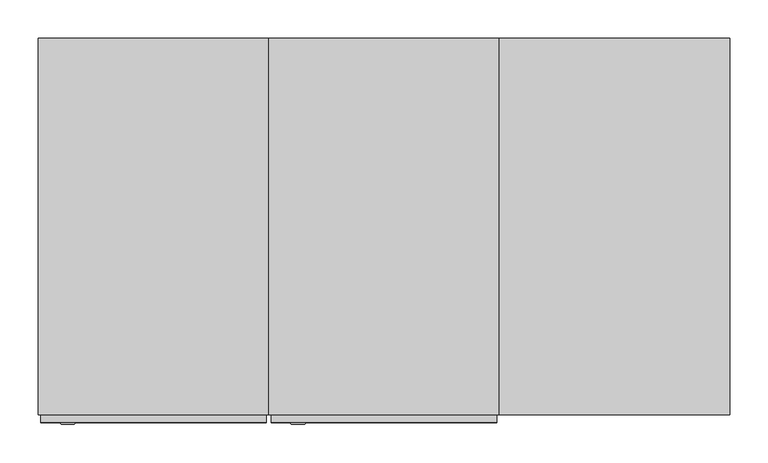
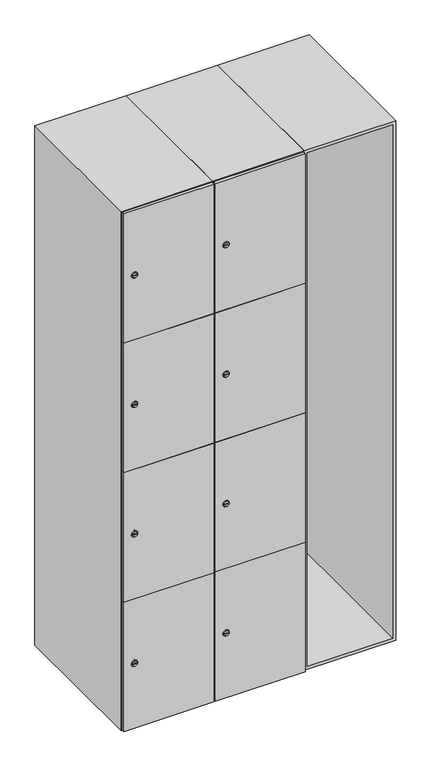
"""IFC4 building model written with IfcOpenShell, lengths in millimetres: furniture geometry."""

from ifc_helpers import new_model, si_unit, point, frame, frame_2d, origin, place, context, project, spatial, polyline, circle_curve, trimmed, segment, composite_curve, outline, extrude, faceted_brep, source, transform, mapped, element, save
from ifc_brep_helpers import plane_surface, revolved_surface, advanced_brep


def furniture_9d83d21d(model_context):
    return source(origin(), model_context, "Body", "SolidModel", [
        faceted_brep([(700.0, -245.0, 100.0), (700.0, -245.0, 1900.0), (400.0, -245.0, 1900.0), (400.0, -245.0, 100.0), (690.0, -245.0, 1890.0), (690.0, -245.0, 110.0), (410.0, -245.0, 110.0), (410.0, -245.0, 1890.0), (700.0, 245.0, 100.0), (400.0, 245.0, 100.0), (700.0, 245.0, 1900.0), (400.0, 245.0, 1900.0), (690.0, 241.0, 1890.0), (690.0, 241.0, 110.0), (400.0, 245.0, 1890.0), (410.0, 241.0, 1890.0), (410.0, 241.0, 110.0)], [[[0, 1, 2, 3], [4, 5, 6, 7]], [[8, 0, 3, 9]], [[1, 0, 8, 10]], [[1, 10, 11, 2]], [[4, 12, 13, 5]], [[9, 3, 2, 11, 14]], [[10, 8, 9, 14, 11]], [[12, 15, 16, 13]], [[15, 7, 6, 16]], [[4, 7, 15, 12]], [[6, 5, 13, 16]]]),
        extrude(outline(composite_curve([segment(trimmed(circle_curve(frame_2d((327.25, 111.2010534)), 7.0), [point((334.25, 111.2010534))], [point((320.25, 111.2010534))], False, "CARTESIAN"), True, "CONTINUOUS"), segment(polyline([(320.25, 111.2010534), (320.25, 139.2010534)]), True, "CONTINUOUS"), segment(trimmed(circle_curve(frame_2d((327.25, 139.2010534)), 7.0), [point((320.25, 139.2010534))], [point((334.25, 139.2010534))], False, "CARTESIAN"), True, "CONTINUOUS"), segment(polyline([(334.25, 139.2010534), (334.25, 111.2010534)]), True, "CONTINUOUS")], self_intersect=False)), frame((0.0, -245.0, 0.0), z_axis=(0.0, 1.0, 0.0), x_axis=(0.0, 0.0, 1.0)), (0.0, 0.0, 1.0), 2.0),
        advanced_brep(
        [(146.5, -257.2, 327.25), (129.5, -257.2, 327.25), (133.0, -257.2, 326.0), (133.0, -257.2, 328.5), (143.0, -257.2, 328.5), (143.0, -257.2, 326.0), (148.5, -255.0, 327.25), (127.5, -255.0, 327.25), (133.0, -255.0, 328.5), (133.0, -255.0, 326.0), (143.0, -255.0, 326.0), (143.0, -255.0, 328.5)],
        [
            (0, 1, circle_curve(frame((138.0, -257.2, 327.25), z_axis=(0.0, -1.0, 0.0), x_axis=(1.0, 0.0, 0.0)), 8.5)),
            (1, 0, circle_curve(frame((138.0, -257.2, 327.25), z_axis=(0.0, -1.0, 0.0), x_axis=(-1.0, 0.0, 0.0)), 8.5)),
            (2, 3),
            (3, 4),
            (4, 5),
            (5, 2),
            (6, 7, circle_curve(frame((138.0, -255.0, 327.25), z_axis=(0.0, 1.0, 0.0), x_axis=(-1.0, 0.0, 0.0)), 10.5)),
            (7, 6, circle_curve(frame((138.0, -255.0, 327.25), z_axis=(0.0, 1.0, 0.0), x_axis=(1.0, 0.0, 0.0)), 10.5)),
            (8, 9),
            (9, 10),
            (10, 11),
            (11, 8),
            (0, 6),
            (7, 1),
            (8, 3),
            (2, 9),
            (11, 4),
            (10, 5),
        ],
        [
            plane_surface(frame((138.0, -257.2, 327.25), z_axis=(0.0, -1.0, 0.0), x_axis=(0.0, 0.0, 1.0))),
            plane_surface(frame((138.0, -255.0, 327.25), z_axis=(0.0, 1.0, 0.0), x_axis=(0.0, 0.0, 1.0))),
            revolved_surface(polyline([(146.5, -257.2, 327.25), (148.5, -255.0, 327.25)]), (138.0, -266.55, 327.25), (0.0, 1.0, 0.0)),
            revolved_surface(polyline([(129.5, -257.2, 327.25), (127.5, -255.0, 327.25)]), (138.0, -266.55, 327.25), (0.0, 1.0, 0.0)),
            plane_surface(frame((133.0, -255.0, 326.0), z_axis=(1.0, 0.0, 0.0), x_axis=(0.0, -1.0, 0.0))),
            plane_surface(frame((133.0, -255.0, 328.5), z_axis=(0.0, 0.0, -1.0), x_axis=(0.0, -1.0, 0.0))),
            plane_surface(frame((143.0, -255.0, 328.5), z_axis=(-1.0, 0.0, 0.0), x_axis=(0.0, -1.0, 0.0))),
            plane_surface(frame((143.0, -255.0, 326.0), z_axis=(0.0, 0.0, 1.0), x_axis=(0.0, -1.0, 0.0))),
        ],
        [
            (0, [[1, 2], [3, 4, 5, 6]]),
            (1, [[7, 8], [9, 10, 11, 12]]),
            (2, [[-1, 13, -8, 14]]),
            (3, [[-2, -14, -7, -13]]),
            (4, [[15, -3, 16, -9]]),
            (5, [[-15, -12, 17, -4]]),
            (6, [[-17, -11, 18, -5]]),
            (7, [[-16, -6, -18, -10]]),
        ],
    ),
        extrude(outline(composite_curve([segment(trimmed(circle_curve(frame_2d((775.75, 111.2010534)), 7.0), [point((782.75, 111.2010534))], [point((768.75, 111.2010534))], False, "CARTESIAN"), True, "CONTINUOUS"), segment(polyline([(768.75, 111.2010534), (768.75, 139.2010534)]), True, "CONTINUOUS"), segment(trimmed(circle_curve(frame_2d((775.75, 139.2010534)), 7.0), [point((768.75, 139.2010534))], [point((782.75, 139.2010534))], False, "CARTESIAN"), True, "CONTINUOUS"), segment(polyline([(782.75, 139.2010534), (782.75, 111.2010534)]), True, "CONTINUOUS")], self_intersect=False)), frame((0.0, -245.0, 0.0), z_axis=(0.0, 1.0, 0.0), x_axis=(0.0, 0.0, 1.0)), (0.0, 0.0, 1.0), 2.0),
        advanced_brep(
        [(146.5, -257.2, 775.75), (129.5, -257.2, 775.75), (133.0, -257.2, 774.5), (133.0, -257.2, 777.0), (143.0, -257.2, 777.0), (143.0, -257.2, 774.5), (148.5, -255.0, 775.75), (127.5, -255.0, 775.75), (133.0, -255.0, 777.0), (133.0, -255.0, 774.5), (143.0, -255.0, 774.5), (143.0, -255.0, 777.0)],
        [
            (0, 1, circle_curve(frame((138.0, -257.2, 775.75), z_axis=(0.0, -1.0, 0.0), x_axis=(1.0, 0.0, 0.0)), 8.5)),
            (1, 0, circle_curve(frame((138.0, -257.2, 775.75), z_axis=(0.0, -1.0, 0.0), x_axis=(-1.0, 0.0, 0.0)), 8.5)),
            (2, 3),
            (3, 4),
            (4, 5),
            (5, 2),
            (6, 7, circle_curve(frame((138.0, -255.0, 775.75), z_axis=(0.0, 1.0, 0.0), x_axis=(-1.0, 0.0, 0.0)), 10.5)),
            (7, 6, circle_curve(frame((138.0, -255.0, 775.75), z_axis=(0.0, 1.0, 0.0), x_axis=(1.0, 0.0, 0.0)), 10.5)),
            (8, 9),
            (9, 10),
            (10, 11),
            (11, 8),
            (0, 6),
            (7, 1),
            (8, 3),
            (2, 9),
            (11, 4),
            (10, 5),
        ],
        [
            plane_surface(frame((138.0, -257.2, 775.75), z_axis=(0.0, -1.0, 0.0), x_axis=(0.0, 0.0, 1.0))),
            plane_surface(frame((138.0, -255.0, 775.75), z_axis=(0.0, 1.0, 0.0), x_axis=(0.0, 0.0, 1.0))),
            revolved_surface(polyline([(146.5, -257.2, 775.75), (148.5, -255.0, 775.75)]), (138.0, -266.55, 775.75), (0.0, 1.0, 0.0)),
            revolved_surface(polyline([(129.5, -257.2, 775.75), (127.5, -255.0, 775.75)]), (138.0, -266.55, 775.75), (0.0, 1.0, 0.0)),
            plane_surface(frame((133.0, -255.0, 774.5), z_axis=(1.0, 0.0, 0.0), x_axis=(0.0, -1.0, 0.0))),
            plane_surface(frame((133.0, -255.0, 777.0), z_axis=(0.0, 0.0, -1.0), x_axis=(0.0, -1.0, 0.0))),
            plane_surface(frame((143.0, -255.0, 777.0), z_axis=(-1.0, 0.0, 0.0), x_axis=(0.0, -1.0, 0.0))),
            plane_surface(frame((143.0, -255.0, 774.5), z_axis=(0.0, 0.0, 1.0), x_axis=(0.0, -1.0, 0.0))),
        ],
        [
            (0, [[1, 2], [3, 4, 5, 6]]),
            (1, [[7, 8], [9, 10, 11, 12]]),
            (2, [[-1, 13, -8, 14]]),
            (3, [[-2, -14, -7, -13]]),
            (4, [[15, -3, 16, -9]]),
            (5, [[-15, -12, 17, -4]]),
            (6, [[-17, -11, 18, -5]]),
            (7, [[-16, -6, -18, -10]]),
        ],
    ),
        extrude(outline(composite_curve([segment(trimmed(circle_curve(frame_2d((1224.25, 111.2010534)), 7.0), [point((1231.25, 111.2010534))], [point((1217.25, 111.2010534))], False, "CARTESIAN"), True, "CONTINUOUS"), segment(polyline([(1217.25, 111.2010534), (1217.25, 139.2010534)]), True, "CONTINUOUS"), segment(trimmed(circle_curve(frame_2d((1224.25, 139.2010534)), 7.0), [point((1217.25, 139.2010534))], [point((1231.25, 139.2010534))], False, "CARTESIAN"), True, "CONTINUOUS"), segment(polyline([(1231.25, 139.2010534), (1231.25, 111.2010534)]), True, "CONTINUOUS")], self_intersect=False)), frame((0.0, -245.0, 0.0), z_axis=(0.0, 1.0, 0.0), x_axis=(0.0, 0.0, 1.0)), (0.0, 0.0, 1.0), 2.0),
        advanced_brep(
        [(146.5, -257.2, 1224.25), (129.5, -257.2, 1224.25), (133.0, -257.2, 1223.0), (133.0, -257.2, 1225.5), (143.0, -257.2, 1225.5), (143.0, -257.2, 1223.0), (148.5, -255.0, 1224.25), (127.5, -255.0, 1224.25), (133.0, -255.0, 1225.5), (133.0, -255.0, 1223.0), (143.0, -255.0, 1223.0), (143.0, -255.0, 1225.5)],
        [
            (0, 1, circle_curve(frame((138.0, -257.2, 1224.25), z_axis=(0.0, -1.0, 0.0), x_axis=(1.0, 0.0, 0.0)), 8.5)),
            (1, 0, circle_curve(frame((138.0, -257.2, 1224.25), z_axis=(0.0, -1.0, 0.0), x_axis=(-1.0, 0.0, 0.0)), 8.5)),
            (2, 3),
            (3, 4),
            (4, 5),
            (5, 2),
            (6, 7, circle_curve(frame((138.0, -255.0, 1224.25), z_axis=(0.0, 1.0, 0.0), x_axis=(-1.0, 0.0, 0.0)), 10.5)),
            (7, 6, circle_curve(frame((138.0, -255.0, 1224.25), z_axis=(0.0, 1.0, 0.0), x_axis=(1.0, 0.0, 0.0)), 10.5)),
            (8, 9),
            (9, 10),
            (10, 11),
            (11, 8),
            (0, 6),
            (7, 1),
            (8, 3),
            (2, 9),
            (11, 4),
            (10, 5),
        ],
        [
            plane_surface(frame((138.0, -257.2, 1224.25), z_axis=(0.0, -1.0, 0.0), x_axis=(0.0, 0.0, 1.0))),
            plane_surface(frame((138.0, -255.0, 1224.25), z_axis=(0.0, 1.0, 0.0), x_axis=(0.0, 0.0, 1.0))),
            revolved_surface(polyline([(146.5, -257.2, 1224.25), (148.5, -255.0, 1224.25)]), (138.0, -266.55, 1224.25), (0.0, 1.0, 0.0)),
            revolved_surface(polyline([(129.5, -257.2, 1224.25), (127.5, -255.0, 1224.25)]), (138.0, -266.55, 1224.25), (0.0, 1.0, 0.0)),
            plane_surface(frame((133.0, -255.0, 1223.0), z_axis=(1.0, 0.0, 0.0), x_axis=(0.0, -1.0, 0.0))),
            plane_surface(frame((133.0, -255.0, 1225.5), z_axis=(0.0, 0.0, -1.0), x_axis=(0.0, -1.0, 0.0))),
            plane_surface(frame((143.0, -255.0, 1225.5), z_axis=(-1.0, 0.0, 0.0), x_axis=(0.0, -1.0, 0.0))),
            plane_surface(frame((143.0, -255.0, 1223.0), z_axis=(0.0, 0.0, 1.0), x_axis=(0.0, -1.0, 0.0))),
        ],
        [
            (0, [[1, 2], [3, 4, 5, 6]]),
            (1, [[7, 8], [9, 10, 11, 12]]),
            (2, [[-1, 13, -8, 14]]),
            (3, [[-2, -14, -7, -13]]),
            (4, [[15, -3, 16, -9]]),
            (5, [[-15, -12, 17, -4]]),
            (6, [[-17, -11, 18, -5]]),
            (7, [[-16, -6, -18, -10]]),
        ],
    ),
        extrude(outline(composite_curve([segment(trimmed(circle_curve(frame_2d((1672.75, 111.2010534)), 7.0), [point((1679.75, 111.2010534))], [point((1665.75, 111.2010534))], False, "CARTESIAN"), True, "CONTINUOUS"), segment(polyline([(1665.75, 111.2010534), (1665.75, 139.2010534)]), True, "CONTINUOUS"), segment(trimmed(circle_curve(frame_2d((1672.75, 139.2010534)), 7.0), [point((1665.75, 139.2010534))], [point((1679.75, 139.2010534))], False, "CARTESIAN"), True, "CONTINUOUS"), segment(polyline([(1679.75, 139.2010534), (1679.75, 111.2010534)]), True, "CONTINUOUS")], self_intersect=False)), frame((0.0, -245.0, 0.0), z_axis=(0.0, 1.0, 0.0), x_axis=(0.0, 0.0, 1.0)), (0.0, 0.0, 1.0), 2.0),
        advanced_brep(
        [(146.5, -257.2, 1672.75), (129.5, -257.2, 1672.75), (133.0, -257.2, 1671.5), (133.0, -257.2, 1674.0), (143.0, -257.2, 1674.0), (143.0, -257.2, 1671.5), (148.5, -255.0, 1672.75), (127.5, -255.0, 1672.75), (133.0, -255.0, 1674.0), (133.0, -255.0, 1671.5), (143.0, -255.0, 1671.5), (143.0, -255.0, 1674.0)],
        [
            (0, 1, circle_curve(frame((138.0, -257.2, 1672.75), z_axis=(0.0, -1.0, 0.0), x_axis=(1.0, 0.0, 0.0)), 8.5)),
            (1, 0, circle_curve(frame((138.0, -257.2, 1672.75), z_axis=(0.0, -1.0, 0.0), x_axis=(-1.0, 0.0, 0.0)), 8.5)),
            (2, 3),
            (3, 4),
            (4, 5),
            (5, 2),
            (6, 7, circle_curve(frame((138.0, -255.0, 1672.75), z_axis=(0.0, 1.0, 0.0), x_axis=(-1.0, 0.0, 0.0)), 10.5)),
            (7, 6, circle_curve(frame((138.0, -255.0, 1672.75), z_axis=(0.0, 1.0, 0.0), x_axis=(1.0, 0.0, 0.0)), 10.5)),
            (8, 9),
            (9, 10),
            (10, 11),
            (11, 8),
            (0, 6),
            (7, 1),
            (8, 3),
            (2, 9),
            (11, 4),
            (10, 5),
        ],
        [
            plane_surface(frame((138.0, -257.2, 1672.75), z_axis=(0.0, -1.0, 0.0), x_axis=(0.0, 0.0, 1.0))),
            plane_surface(frame((138.0, -255.0, 1672.75), z_axis=(0.0, 1.0, 0.0), x_axis=(0.0, 0.0, 1.0))),
            revolved_surface(polyline([(146.5, -257.2, 1672.75), (148.5, -255.0, 1672.75)]), (138.0, -266.55, 1672.75), (0.0, 1.0, 0.0)),
            revolved_surface(polyline([(129.5, -257.2, 1672.75), (127.5, -255.0, 1672.75)]), (138.0, -266.55, 1672.75), (0.0, 1.0, 0.0)),
            plane_surface(frame((133.0, -255.0, 1671.5), z_axis=(1.0, 0.0, 0.0), x_axis=(0.0, -1.0, 0.0))),
            plane_surface(frame((133.0, -255.0, 1674.0), z_axis=(0.0, 0.0, -1.0), x_axis=(0.0, -1.0, 0.0))),
            plane_surface(frame((143.0, -255.0, 1674.0), z_axis=(-1.0, 0.0, 0.0), x_axis=(0.0, -1.0, 0.0))),
            plane_surface(frame((143.0, -255.0, 1671.5), z_axis=(0.0, 0.0, 1.0), x_axis=(0.0, -1.0, 0.0))),
        ],
        [
            (0, [[1, 2], [3, 4, 5, 6]]),
            (1, [[7, 8], [9, 10, 11, 12]]),
            (2, [[-1, 13, -8, 14]]),
            (3, [[-2, -14, -7, -13]]),
            (4, [[15, -3, 16, -9]]),
            (5, [[-15, -12, 17, -4]]),
            (6, [[-17, -11, 18, -5]]),
            (7, [[-16, -6, -18, -10]]),
        ],
    ),
        extrude(outline(polyline([(397.0, -245.0), (397.0, -255.0), (103.0, -255.0), (103.0, -245.0), (397.0, -245.0)])), frame((0.0, 0.0, 551.0), z_axis=(0.0, 0.0, 1.0), x_axis=(1.0, 0.0, 0.0)), (0.0, 0.0, 1.0), 448.5),
        extrude(outline(polyline([(397.0, -245.0), (397.0, -255.0), (103.0, -255.0), (103.0, -245.0), (397.0, -245.0)])), frame((0.0, 0.0, 1000.5), z_axis=(0.0, 0.0, 1.0), x_axis=(1.0, 0.0, 0.0)), (0.0, 0.0, 1.0), 447.5),
        extrude(outline(polyline([(103.0, -255.0), (103.0, -245.0), (397.0, -245.0), (397.0, -255.0), (103.0, -255.0)])), frame((0.0, 0.0, 1449.0), z_axis=(0.0, 0.0, 1.0), x_axis=(1.0, 0.0, 0.0)), (0.0, 0.0, 1.0), 448.0),
        extrude(outline(polyline([(397.0, -245.0), (397.0, -255.0), (103.0, -255.0), (103.0, -245.0), (397.0, -245.0)])), frame((0.0, 0.0, 103.0), z_axis=(0.0, 0.0, 1.0), x_axis=(1.0, 0.0, 0.0)), (0.0, 0.0, 1.0), 449.0),
        extrude(outline(polyline([(390.0, 241.0), (390.0, -235.0), (110.0, -235.0), (110.0, 241.0), (390.0, 241.0)])), frame((0.0, 0.0, 1440.0), z_axis=(0.0, 0.0, 1.0), x_axis=(1.0, 0.0, 0.0)), (0.0, 0.0, 1.0), 10.0),
        extrude(outline(polyline([(390.0, 241.0), (390.0, -235.0), (110.0, -235.0), (110.0, 241.0), (390.0, 241.0)])), frame((0.0, 0.0, 995.0), z_axis=(0.0, 0.0, 1.0), x_axis=(1.0, 0.0, 0.0)), (0.0, 0.0, 1.0), 10.0),
        extrude(outline(polyline([(390.0, 241.0), (390.0, -235.0), (110.0, -235.0), (110.0, 241.0), (390.0, 241.0)])), frame((0.0, 0.0, 550.0), z_axis=(0.0, 0.0, 1.0), x_axis=(1.0, 0.0, 0.0)), (0.0, 0.0, 1.0), 10.0),
        faceted_brep([(400.0, -245.0, 100.0), (400.0, -245.0, 1900.0), (100.0, -245.0, 1900.0), (100.0, -245.0, 100.0), (390.0, -245.0, 1890.0), (390.0, -245.0, 110.0), (110.0, -245.0, 110.0), (110.0, -245.0, 1890.0), (400.0, 245.0, 100.0), (100.0, 245.0, 100.0), (400.0, 245.0, 1900.0), (100.0, 245.0, 1900.0), (390.0, 241.0, 1890.0), (390.0, 241.0, 110.0), (100.0, 245.0, 1890.0), (110.0, 241.0, 1890.0), (110.0, 241.0, 110.0)], [[[0, 1, 2, 3], [4, 5, 6, 7]], [[8, 0, 3, 9]], [[1, 0, 8, 10]], [[1, 10, 11, 2]], [[4, 12, 13, 5]], [[9, 3, 2, 11, 14]], [[10, 8, 9, 14, 11]], [[12, 15, 16, 13]], [[15, 7, 6, 16]], [[4, 7, 15, 12]], [[6, 5, 13, 16]]]),
        extrude(outline(composite_curve([segment(trimmed(circle_curve(frame_2d((327.25, -188.7989466)), 7.0), [point((334.25, -188.7989466))], [point((320.25, -188.7989466))], False, "CARTESIAN"), True, "CONTINUOUS"), segment(polyline([(320.25, -188.7989466), (320.25, -160.7989466)]), True, "CONTINUOUS"), segment(trimmed(circle_curve(frame_2d((327.25, -160.7989466)), 7.0), [point((320.25, -160.7989466))], [point((334.25, -160.7989466))], False, "CARTESIAN"), True, "CONTINUOUS"), segment(polyline([(334.25, -160.7989466), (334.25, -188.7989466)]), True, "CONTINUOUS")], self_intersect=False)), frame((0.0, -245.0, 0.0), z_axis=(0.0, 1.0, 0.0), x_axis=(0.0, 0.0, 1.0)), (0.0, 0.0, 1.0), 2.0),
        advanced_brep(
        [(-153.5, -257.2, 327.25), (-170.5, -257.2, 327.25), (-167.0, -257.2, 326.0), (-167.0, -257.2, 328.5), (-157.0, -257.2, 328.5), (-157.0, -257.2, 326.0), (-151.5, -255.0, 327.25), (-172.5, -255.0, 327.25), (-167.0, -255.0, 328.5), (-167.0, -255.0, 326.0), (-157.0, -255.0, 326.0), (-157.0, -255.0, 328.5)],
        [
            (0, 1, circle_curve(frame((-162.0, -257.2, 327.25), z_axis=(0.0, -1.0, 0.0), x_axis=(1.0, 0.0, 0.0)), 8.5)),
            (1, 0, circle_curve(frame((-162.0, -257.2, 327.25), z_axis=(0.0, -1.0, 0.0), x_axis=(-1.0, 0.0, 0.0)), 8.5)),
            (2, 3),
            (3, 4),
            (4, 5),
            (5, 2),
            (6, 7, circle_curve(frame((-162.0, -255.0, 327.25), z_axis=(0.0, 1.0, 0.0), x_axis=(-1.0, 0.0, 0.0)), 10.5)),
            (7, 6, circle_curve(frame((-162.0, -255.0, 327.25), z_axis=(0.0, 1.0, 0.0), x_axis=(1.0, 0.0, 0.0)), 10.5)),
            (8, 9),
            (9, 10),
            (10, 11),
            (11, 8),
            (0, 6),
            (7, 1),
            (8, 3),
            (2, 9),
            (11, 4),
            (10, 5),
        ],
        [
            plane_surface(frame((-162.0, -257.2, 327.25), z_axis=(0.0, -1.0, 0.0), x_axis=(0.0, 0.0, 1.0))),
            plane_surface(frame((-162.0, -255.0, 327.25), z_axis=(0.0, 1.0, 0.0), x_axis=(0.0, 0.0, 1.0))),
            revolved_surface(polyline([(-153.5, -257.2, 327.25), (-151.5, -255.0, 327.25)]), (-162.0, -266.55, 327.25), (0.0, 1.0, 0.0)),
            revolved_surface(polyline([(-170.5, -257.2, 327.25), (-172.5, -255.0, 327.25)]), (-162.0, -266.55, 327.25), (0.0, 1.0, 0.0)),
            plane_surface(frame((-167.0, -255.0, 326.0), z_axis=(1.0, 0.0, 0.0), x_axis=(0.0, -1.0, 0.0))),
            plane_surface(frame((-167.0, -255.0, 328.5), z_axis=(0.0, 0.0, -1.0), x_axis=(0.0, -1.0, 0.0))),
            plane_surface(frame((-157.0, -255.0, 328.5), z_axis=(-1.0, 0.0, 0.0), x_axis=(0.0, -1.0, 0.0))),
            plane_surface(frame((-157.0, -255.0, 326.0), z_axis=(0.0, 0.0, 1.0), x_axis=(0.0, -1.0, 0.0))),
        ],
        [
            (0, [[1, 2], [3, 4, 5, 6]]),
            (1, [[7, 8], [9, 10, 11, 12]]),
            (2, [[-1, 13, -8, 14]]),
            (3, [[-2, -14, -7, -13]]),
            (4, [[15, -3, 16, -9]]),
            (5, [[-15, -12, 17, -4]]),
            (6, [[-17, -11, 18, -5]]),
            (7, [[-16, -6, -18, -10]]),
        ],
    ),
        extrude(outline(composite_curve([segment(trimmed(circle_curve(frame_2d((775.75, -188.7989466)), 7.0), [point((782.75, -188.7989466))], [point((768.75, -188.7989466))], False, "CARTESIAN"), True, "CONTINUOUS"), segment(polyline([(768.75, -188.7989466), (768.75, -160.7989466)]), True, "CONTINUOUS"), segment(trimmed(circle_curve(frame_2d((775.75, -160.7989466)), 7.0), [point((768.75, -160.7989466))], [point((782.75, -160.7989466))], False, "CARTESIAN"), True, "CONTINUOUS"), segment(polyline([(782.75, -160.7989466), (782.75, -188.7989466)]), True, "CONTINUOUS")], self_intersect=False)), frame((0.0, -245.0, 0.0), z_axis=(0.0, 1.0, 0.0), x_axis=(0.0, 0.0, 1.0)), (0.0, 0.0, 1.0), 2.0),
        advanced_brep(
        [(-153.5, -257.2, 775.75), (-170.5, -257.2, 775.75), (-167.0, -257.2, 774.5), (-167.0, -257.2, 777.0), (-157.0, -257.2, 777.0), (-157.0, -257.2, 774.5), (-151.5, -255.0, 775.75), (-172.5, -255.0, 775.75), (-167.0, -255.0, 777.0), (-167.0, -255.0, 774.5), (-157.0, -255.0, 774.5), (-157.0, -255.0, 777.0)],
        [
            (0, 1, circle_curve(frame((-162.0, -257.2, 775.75), z_axis=(0.0, -1.0, 0.0), x_axis=(1.0, 0.0, 0.0)), 8.5)),
            (1, 0, circle_curve(frame((-162.0, -257.2, 775.75), z_axis=(0.0, -1.0, 0.0), x_axis=(-1.0, 0.0, 0.0)), 8.5)),
            (2, 3),
            (3, 4),
            (4, 5),
            (5, 2),
            (6, 7, circle_curve(frame((-162.0, -255.0, 775.75), z_axis=(0.0, 1.0, 0.0), x_axis=(-1.0, 0.0, 0.0)), 10.5)),
            (7, 6, circle_curve(frame((-162.0, -255.0, 775.75), z_axis=(0.0, 1.0, 0.0), x_axis=(1.0, 0.0, 0.0)), 10.5)),
            (8, 9),
            (9, 10),
            (10, 11),
            (11, 8),
            (0, 6),
            (7, 1),
            (8, 3),
            (2, 9),
            (11, 4),
            (10, 5),
        ],
        [
            plane_surface(frame((-162.0, -257.2, 775.75), z_axis=(0.0, -1.0, 0.0), x_axis=(0.0, 0.0, 1.0))),
            plane_surface(frame((-162.0, -255.0, 775.75), z_axis=(0.0, 1.0, 0.0), x_axis=(0.0, 0.0, 1.0))),
            revolved_surface(polyline([(-153.5, -257.2, 775.75), (-151.5, -255.0, 775.75)]), (-162.0, -266.55, 775.75), (0.0, 1.0, 0.0)),
            revolved_surface(polyline([(-170.5, -257.2, 775.75), (-172.5, -255.0, 775.75)]), (-162.0, -266.55, 775.75), (0.0, 1.0, 0.0)),
            plane_surface(frame((-167.0, -255.0, 774.5), z_axis=(1.0, 0.0, 0.0), x_axis=(0.0, -1.0, 0.0))),
            plane_surface(frame((-167.0, -255.0, 777.0), z_axis=(0.0, 0.0, -1.0), x_axis=(0.0, -1.0, 0.0))),
            plane_surface(frame((-157.0, -255.0, 777.0), z_axis=(-1.0, 0.0, 0.0), x_axis=(0.0, -1.0, 0.0))),
            plane_surface(frame((-157.0, -255.0, 774.5), z_axis=(0.0, 0.0, 1.0), x_axis=(0.0, -1.0, 0.0))),
        ],
        [
            (0, [[1, 2], [3, 4, 5, 6]]),
            (1, [[7, 8], [9, 10, 11, 12]]),
            (2, [[-1, 13, -8, 14]]),
            (3, [[-2, -14, -7, -13]]),
            (4, [[15, -3, 16, -9]]),
            (5, [[-15, -12, 17, -4]]),
            (6, [[-17, -11, 18, -5]]),
            (7, [[-16, -6, -18, -10]]),
        ],
    ),
        extrude(outline(composite_curve([segment(trimmed(circle_curve(frame_2d((1224.25, -188.7989466)), 7.0), [point((1231.25, -188.7989466))], [point((1217.25, -188.7989466))], False, "CARTESIAN"), True, "CONTINUOUS"), segment(polyline([(1217.25, -188.7989466), (1217.25, -160.7989466)]), True, "CONTINUOUS"), segment(trimmed(circle_curve(frame_2d((1224.25, -160.7989466)), 7.0), [point((1217.25, -160.7989466))], [point((1231.25, -160.7989466))], False, "CARTESIAN"), True, "CONTINUOUS"), segment(polyline([(1231.25, -160.7989466), (1231.25, -188.7989466)]), True, "CONTINUOUS")], self_intersect=False)), frame((0.0, -245.0, 0.0), z_axis=(0.0, 1.0, 0.0), x_axis=(0.0, 0.0, 1.0)), (0.0, 0.0, 1.0), 2.0),
        advanced_brep(
        [(-153.5, -257.2, 1224.25), (-170.5, -257.2, 1224.25), (-167.0, -257.2, 1223.0), (-167.0, -257.2, 1225.5), (-157.0, -257.2, 1225.5), (-157.0, -257.2, 1223.0), (-151.5, -255.0, 1224.25), (-172.5, -255.0, 1224.25), (-167.0, -255.0, 1225.5), (-167.0, -255.0, 1223.0), (-157.0, -255.0, 1223.0), (-157.0, -255.0, 1225.5)],
        [
            (0, 1, circle_curve(frame((-162.0, -257.2, 1224.25), z_axis=(0.0, -1.0, 0.0), x_axis=(1.0, 0.0, 0.0)), 8.5)),
            (1, 0, circle_curve(frame((-162.0, -257.2, 1224.25), z_axis=(0.0, -1.0, 0.0), x_axis=(-1.0, 0.0, 0.0)), 8.5)),
            (2, 3),
            (3, 4),
            (4, 5),
            (5, 2),
            (6, 7, circle_curve(frame((-162.0, -255.0, 1224.25), z_axis=(0.0, 1.0, 0.0), x_axis=(-1.0, 0.0, 0.0)), 10.5)),
            (7, 6, circle_curve(frame((-162.0, -255.0, 1224.25), z_axis=(0.0, 1.0, 0.0), x_axis=(1.0, 0.0, 0.0)), 10.5)),
            (8, 9),
            (9, 10),
            (10, 11),
            (11, 8),
            (0, 6),
            (7, 1),
            (8, 3),
            (2, 9),
            (11, 4),
            (10, 5),
        ],
        [
            plane_surface(frame((-162.0, -257.2, 1224.25), z_axis=(0.0, -1.0, 0.0), x_axis=(0.0, 0.0, 1.0))),
            plane_surface(frame((-162.0, -255.0, 1224.25), z_axis=(0.0, 1.0, 0.0), x_axis=(0.0, 0.0, 1.0))),
            revolved_surface(polyline([(-153.5, -257.2, 1224.25), (-151.5, -255.0, 1224.25)]), (-162.0, -266.55, 1224.25), (0.0, 1.0, 0.0)),
            revolved_surface(polyline([(-170.5, -257.2, 1224.25), (-172.5, -255.0, 1224.25)]), (-162.0, -266.55, 1224.25), (0.0, 1.0, 0.0)),
            plane_surface(frame((-167.0, -255.0, 1223.0), z_axis=(1.0, 0.0, 0.0), x_axis=(0.0, -1.0, 0.0))),
            plane_surface(frame((-167.0, -255.0, 1225.5), z_axis=(0.0, 0.0, -1.0), x_axis=(0.0, -1.0, 0.0))),
            plane_surface(frame((-157.0, -255.0, 1225.5), z_axis=(-1.0, 0.0, 0.0), x_axis=(0.0, -1.0, 0.0))),
            plane_surface(frame((-157.0, -255.0, 1223.0), z_axis=(0.0, 0.0, 1.0), x_axis=(0.0, -1.0, 0.0))),
        ],
        [
            (0, [[1, 2], [3, 4, 5, 6]]),
            (1, [[7, 8], [9, 10, 11, 12]]),
            (2, [[-1, 13, -8, 14]]),
            (3, [[-2, -14, -7, -13]]),
            (4, [[15, -3, 16, -9]]),
            (5, [[-15, -12, 17, -4]]),
            (6, [[-17, -11, 18, -5]]),
            (7, [[-16, -6, -18, -10]]),
        ],
    ),
        extrude(outline(composite_curve([segment(trimmed(circle_curve(frame_2d((1672.75, -188.7989466)), 7.0), [point((1679.75, -188.7989466))], [point((1665.75, -188.7989466))], False, "CARTESIAN"), True, "CONTINUOUS"), segment(polyline([(1665.75, -188.7989466), (1665.75, -160.7989466)]), True, "CONTINUOUS"), segment(trimmed(circle_curve(frame_2d((1672.75, -160.7989466)), 7.0), [point((1665.75, -160.7989466))], [point((1679.75, -160.7989466))], False, "CARTESIAN"), True, "CONTINUOUS"), segment(polyline([(1679.75, -160.7989466), (1679.75, -188.7989466)]), True, "CONTINUOUS")], self_intersect=False)), frame((0.0, -245.0, 0.0), z_axis=(0.0, 1.0, 0.0), x_axis=(0.0, 0.0, 1.0)), (0.0, 0.0, 1.0), 2.0),
        advanced_brep(
        [(-153.5, -257.2, 1672.75), (-170.5, -257.2, 1672.75), (-167.0, -257.2, 1671.5), (-167.0, -257.2, 1674.0), (-157.0, -257.2, 1674.0), (-157.0, -257.2, 1671.5), (-151.5, -255.0, 1672.75), (-172.5, -255.0, 1672.75), (-167.0, -255.0, 1674.0), (-167.0, -255.0, 1671.5), (-157.0, -255.0, 1671.5), (-157.0, -255.0, 1674.0)],
        [
            (0, 1, circle_curve(frame((-162.0, -257.2, 1672.75), z_axis=(0.0, -1.0, 0.0), x_axis=(1.0, 0.0, 0.0)), 8.5)),
            (1, 0, circle_curve(frame((-162.0, -257.2, 1672.75), z_axis=(0.0, -1.0, 0.0), x_axis=(-1.0, 0.0, 0.0)), 8.5)),
            (2, 3),
            (3, 4),
            (4, 5),
            (5, 2),
            (6, 7, circle_curve(frame((-162.0, -255.0, 1672.75), z_axis=(0.0, 1.0, 0.0), x_axis=(-1.0, 0.0, 0.0)), 10.5)),
            (7, 6, circle_curve(frame((-162.0, -255.0, 1672.75), z_axis=(0.0, 1.0, 0.0), x_axis=(1.0, 0.0, 0.0)), 10.5)),
            (8, 9),
            (9, 10),
            (10, 11),
            (11, 8),
            (0, 6),
            (7, 1),
            (8, 3),
            (2, 9),
            (11, 4),
            (10, 5),
        ],
        [
            plane_surface(frame((-162.0, -257.2, 1672.75), z_axis=(0.0, -1.0, 0.0), x_axis=(0.0, 0.0, 1.0))),
            plane_surface(frame((-162.0, -255.0, 1672.75), z_axis=(0.0, 1.0, 0.0), x_axis=(0.0, 0.0, 1.0))),
            revolved_surface(polyline([(-153.5, -257.2, 1672.75), (-151.5, -255.0, 1672.75)]), (-162.0, -266.55, 1672.75), (0.0, 1.0, 0.0)),
            revolved_surface(polyline([(-170.5, -257.2, 1672.75), (-172.5, -255.0, 1672.75)]), (-162.0, -266.55, 1672.75), (0.0, 1.0, 0.0)),
            plane_surface(frame((-167.0, -255.0, 1671.5), z_axis=(1.0, 0.0, 0.0), x_axis=(0.0, -1.0, 0.0))),
            plane_surface(frame((-167.0, -255.0, 1674.0), z_axis=(0.0, 0.0, -1.0), x_axis=(0.0, -1.0, 0.0))),
            plane_surface(frame((-157.0, -255.0, 1674.0), z_axis=(-1.0, 0.0, 0.0), x_axis=(0.0, -1.0, 0.0))),
            plane_surface(frame((-157.0, -255.0, 1671.5), z_axis=(0.0, 0.0, 1.0), x_axis=(0.0, -1.0, 0.0))),
        ],
        [
            (0, [[1, 2], [3, 4, 5, 6]]),
            (1, [[7, 8], [9, 10, 11, 12]]),
            (2, [[-1, 13, -8, 14]]),
            (3, [[-2, -14, -7, -13]]),
            (4, [[15, -3, 16, -9]]),
            (5, [[-15, -12, 17, -4]]),
            (6, [[-17, -11, 18, -5]]),
            (7, [[-16, -6, -18, -10]]),
        ],
    ),
        extrude(outline(polyline([(97.0, -245.0), (97.0, -255.0), (-197.0, -255.0), (-197.0, -245.0), (97.0, -245.0)])), frame((0.0, 0.0, 551.0), z_axis=(0.0, 0.0, 1.0), x_axis=(1.0, 0.0, 0.0)), (0.0, 0.0, 1.0), 448.5),
        extrude(outline(polyline([(97.0, -245.0), (97.0, -255.0), (-197.0, -255.0), (-197.0, -245.0), (97.0, -245.0)])), frame((0.0, 0.0, 1000.5), z_axis=(0.0, 0.0, 1.0), x_axis=(1.0, 0.0, 0.0)), (0.0, 0.0, 1.0), 447.5),
        extrude(outline(polyline([(-197.0, -255.0), (-197.0, -245.0), (97.0, -245.0), (97.0, -255.0), (-197.0, -255.0)])), frame((0.0, 0.0, 1449.0), z_axis=(0.0, 0.0, 1.0), x_axis=(1.0, 0.0, 0.0)), (0.0, 0.0, 1.0), 448.0),
        extrude(outline(polyline([(97.0, -245.0), (97.0, -255.0), (-197.0, -255.0), (-197.0, -245.0), (97.0, -245.0)])), frame((0.0, 0.0, 103.0), z_axis=(0.0, 0.0, 1.0), x_axis=(1.0, 0.0, 0.0)), (0.0, 0.0, 1.0), 449.0),
        extrude(outline(polyline([(90.0, 241.0), (90.0, -235.0), (-190.0, -235.0), (-190.0, 241.0), (90.0, 241.0)])), frame((0.0, 0.0, 1440.0), z_axis=(0.0, 0.0, 1.0), x_axis=(1.0, 0.0, 0.0)), (0.0, 0.0, 1.0), 10.0),
        extrude(outline(polyline([(90.0, 241.0), (90.0, -235.0), (-190.0, -235.0), (-190.0, 241.0), (90.0, 241.0)])), frame((0.0, 0.0, 995.0), z_axis=(0.0, 0.0, 1.0), x_axis=(1.0, 0.0, 0.0)), (0.0, 0.0, 1.0), 10.0),
        extrude(outline(polyline([(90.0, 241.0), (90.0, -235.0), (-190.0, -235.0), (-190.0, 241.0), (90.0, 241.0)])), frame((0.0, 0.0, 550.0), z_axis=(0.0, 0.0, 1.0), x_axis=(1.0, 0.0, 0.0)), (0.0, 0.0, 1.0), 10.0),
        faceted_brep([(100.0, -245.0, 100.0), (100.0, -245.0, 1900.0), (-200.0, -245.0, 1900.0), (-200.0, -245.0, 100.0), (90.0, -245.0, 1890.0), (90.0, -245.0, 110.0), (-190.0, -245.0, 110.0), (-190.0, -245.0, 1890.0), (100.0, 245.0, 100.0), (-200.0, 245.0, 100.0), (100.0, 245.0, 1900.0), (-200.0, 245.0, 1900.0), (90.0, 241.0, 1890.0), (90.0, 241.0, 110.0), (-200.0, 245.0, 1890.0), (-190.0, 241.0, 1890.0), (-190.0, 241.0, 110.0)], [[[0, 1, 2, 3], [4, 5, 6, 7]], [[8, 0, 3, 9]], [[1, 0, 8, 10]], [[1, 10, 11, 2]], [[4, 12, 13, 5]], [[9, 3, 2, 11, 14]], [[10, 8, 9, 14, 11]], [[12, 15, 16, 13]], [[15, 7, 6, 16]], [[4, 7, 15, 12]], [[6, 5, 13, 16]]]),
    ])


if __name__ == "__main__":
    model = new_model("IFC4")
    model_context = context("Model", 3, world=origin())
    ifc_project = project(units=[si_unit("LENGTHUNIT", "METRE", prefix="MILLI")], contexts=[model_context])
    site = spatial("IfcSite", under=ifc_project)
    building = spatial("IfcBuilding", under=site)
    placement = place(None, origin())
    furniture_shape = furniture_9d83d21d(model_context)
    element("IfcFurniture", 1, at=placement, inside=building, context=model_context, shape_type="MappedRepresentation", body=[
        mapped(furniture_shape, transform((0.0, 0.0, 0.0), x_axis=(1.0, 0.0, 0.0), y_axis=(0.0, 1.0, 0.0), z_axis=(0.0, 0.0, 1.0))),
    ])
    save(model, "model.ifc")
